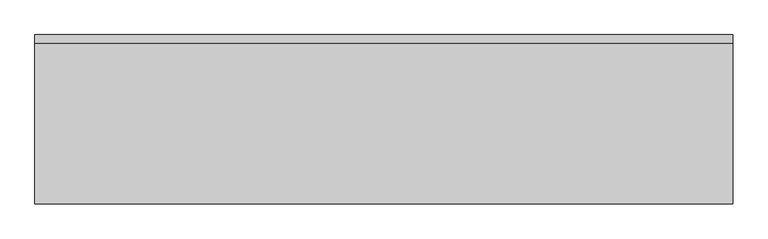
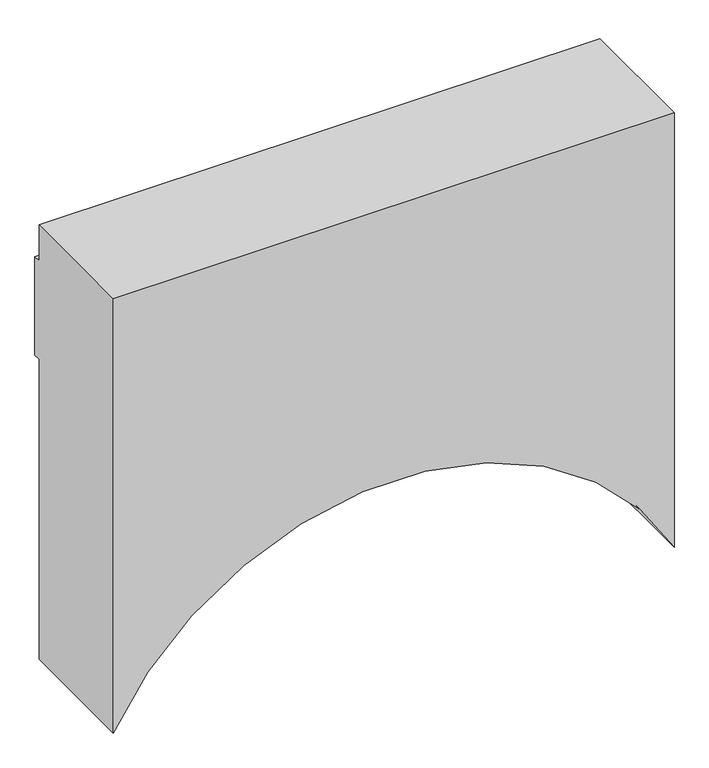
"""IFC4 building model written with IfcOpenShell, lengths in millimetres: beam geometry."""

from ifc_helpers import new_model, si_unit, frame, origin, place, context, project, spatial, polyline, circle_curve, source, transform, mapped, element, save
from ifc_brep_helpers import plane_surface, revolved_surface, advanced_brep


def beam_cc4ae268(model_context):
    return source(origin(), model_context, "Body", "AdvancedBrep", [
        advanced_brep(
        [(320.0, -5037.5, 3220.0), (320.0, -5022.5, 3220.0), (320.0, -5022.5, 3000.0), (320.0, -5037.5, 3000.0), (320.0, -5037.5, 2330.0941595), (320.0, -5310.0, 2330.0941595), (320.0, -5310.0, 3300.0), (320.0, -5037.5, 3300.0), (1505.0, -5037.5, 3220.0), (1505.0, -5037.5, 3300.0), (1505.0, -5310.0, 3300.0), (1505.0, -5310.0, 3000.0), (1505.0, -5310.0, 2330.0941595), (1505.0, -5037.5, 2330.0941595), (1505.0, -5037.5, 3000.0), (1505.0, -5022.5, 3000.0), (1505.0, -5022.5, 3220.0)],
        [
            (0, 1),
            (1, 2),
            (2, 3),
            (3, 4),
            (4, 5),
            (5, 6),
            (6, 7),
            (7, 0),
            (8, 9),
            (9, 10),
            (10, 11),
            (11, 12),
            (12, 13),
            (13, 14),
            (14, 15),
            (15, 16),
            (16, 8),
            (5, 12, circle_curve(frame((912.5, -5310.0, 2017.6799655), z_axis=(0.0, 1.0, 0.0), x_axis=(0.0, 0.0, -1.0)), 669.8200345)),
            (10, 6),
            (9, 7),
            (8, 0),
            (4, 13, circle_curve(frame((912.5, -5037.5, 2017.6799655), z_axis=(0.0, 1.0, 0.0), x_axis=(0.0, 0.0, -1.0)), 669.8200345)),
            (16, 1),
            (15, 2),
            (14, 3),
        ],
        [
            plane_surface(frame((320.0, -5037.5, 3220.0), z_axis=(-1.0, 0.0, 0.0), x_axis=(0.0, 1.0, 0.0))),
            plane_surface(frame((1505.0, -5037.5, 3220.0), z_axis=(1.0, 0.0, 0.0), x_axis=(0.0, -1.0, 0.0))),
            plane_surface(frame((320.0, -5310.0, 2330.0941595), z_axis=(0.0, -1.0, 0.0), x_axis=(1.0, 0.0, 0.0))),
            plane_surface(frame((320.0, -5310.0, 3300.0), z_axis=(0.0, 0.0, 1.0), x_axis=(1.0, 0.0, 0.0))),
            plane_surface(frame((320.0, -5037.5, 3300.0), z_axis=(0.0, 1.0, 0.0), x_axis=(1.0, 0.0, 0.0))),
            revolved_surface(polyline([(912.5, -5037.5, 1347.859931), (912.5, -5310.0, 1347.859931)]), (912.5, -5310.0, 2017.6799655), (0.0, 1.0, 0.0)),
            plane_surface(frame((320.0, -5037.5, 3220.0), z_axis=(0.0, 0.0, 1.0), x_axis=(1.0, 0.0, 0.0))),
            plane_surface(frame((320.0, -5022.5, 3220.0), z_axis=(0.0, 1.0, 0.0), x_axis=(1.0, 0.0, 0.0))),
            plane_surface(frame((320.0, -5022.5, 3000.0), z_axis=(0.0, 0.0, -1.0), x_axis=(1.0, 0.0, 0.0))),
            plane_surface(frame((320.0, -5037.5, 3000.0), z_axis=(0.0, 1.0, 0.0), x_axis=(1.0, 0.0, 0.0))),
        ],
        [
            (0, [[1, 2, 3, 4, 5, 6, 7, 8]]),
            (1, [[9, 10, 11, 12, 13, 14, 15, 16, 17]]),
            (2, [[-6, 18, -12, -11, 19]]),
            (3, [[-7, -19, -10, 20]]),
            (4, [[-8, -20, -9, 21]]),
            (5, [[-5, 22, -13, -18]]),
            (6, [[-1, -21, -17, 23]]),
            (7, [[-2, -23, -16, 24]]),
            (8, [[-3, -24, -15, 25]]),
            (9, [[-4, -25, -14, -22]]),
        ],
    ),
    ])


if __name__ == "__main__":
    model = new_model("IFC4")
    model_context = context("Model", 3, world=origin())
    ifc_project = project(units=[si_unit("LENGTHUNIT", "METRE", prefix="MILLI")], contexts=[model_context])
    site = spatial("IfcSite", under=ifc_project)
    building = spatial("IfcBuilding", under=site)
    placement = place(None, origin())
    beam_shape = beam_cc4ae268(model_context)
    element("IfcBeam", 1, at=placement, inside=building, context=model_context, shape_type="MappedRepresentation", body=[
        mapped(beam_shape, transform((0.0, 0.0, 0.0), x_axis=(1.0, 0.0, 0.0), y_axis=(0.0, 1.0, 0.0), z_axis=(0.0, 0.0, 1.0))),
    ])
    save(model, "model.ifc")
